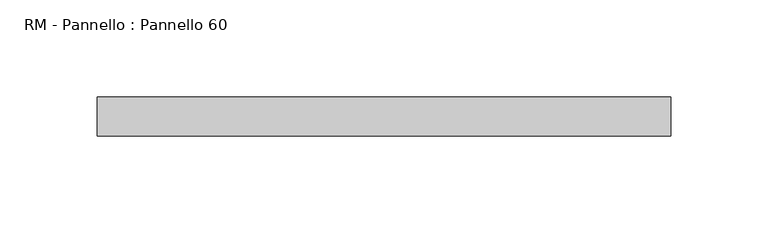
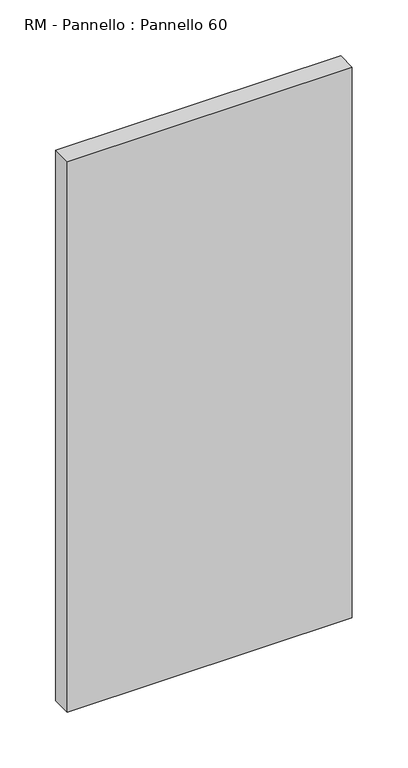
"""IFC4 building model written with IfcOpenShell, lengths in millimetres: plate geometry, RM - Pannello : Pannello 60."""

import ifcopenshell
import ifcopenshell.guid

model = None  # the IFC model being written
_history = None  # IfcOwnerHistory: only IFC2X3 demands one
_inside = {}  # id of a spatial element -> (the spatial element, [elements in it])
_under = {}  # id of a project, library or spatial element -> (it, [spatial elements below it])
_declared = {}  # id of a project -> (the project, [libraries it declares])
_typed = {}  # id of a type object -> (the type object, [elements of that type])
_made_of = {}  # id of a material, layer set ... -> (it, [elements and type objects made of it])


def new_model(schema):
    """Start an empty IFC model of exactly this schema.

    Asked for "IFC4X3", IfcOpenShell would pick the latest addendum, in which some entities
    have other attributes; the version numbers below select the first issue.
    IFC2X3 requires an IfcOwnerHistory on every rooted entity: one is made here for all.
    """
    global model, _history
    if schema == "IFC4X3":
        model = ifcopenshell.file(schema_version=(4, 3, 0, 0))
    else:
        model = ifcopenshell.file(schema=schema)
    _inside.clear()
    _under.clear()
    _declared.clear()
    _typed.clear()
    _made_of.clear()
    _history = None
    if model.schema == "IFC2X3":
        org = make("IfcOrganization", Name="unknown")
        user = make(
            "IfcPersonAndOrganization",
            ThePerson=make("IfcPerson", FamilyName="unknown"),
            TheOrganization=org,
        )
        app = make(
            "IfcApplication",
            ApplicationDeveloper=org,
            Version="unknown",
            ApplicationFullName="unknown",
            ApplicationIdentifier="unknown",
        )
        _history = make(
            "IfcOwnerHistory",
            OwningUser=user,
            OwningApplication=app,
            ChangeAction="ADDED",
            CreationDate=0,
        )
    return model


def make(cls, **values):
    """One entity of the class cls with the attributes given. An attribute that is None is left unset."""
    return model.create_entity(
        cls, **{name: value for name, value in values.items() if value is not None}
    )


def rooted(cls, **values):
    """An entity with a GlobalId (a new one), such as an element, a storey or a relation."""
    return make(cls, GlobalId=ifcopenshell.guid.new(), OwnerHistory=_history, **values)


def si_unit(unit_type, name, prefix=None):
    """IfcSIUnit, for example si_unit("LENGTHUNIT", "METRE", prefix="MILLI")."""
    return make("IfcSIUnit", UnitType=unit_type, Prefix=prefix, Name=name)


def assignment(units):
    """IfcUnitAssignment: the units of a project."""
    return None if units is None else make("IfcUnitAssignment", Units=units)


def point(xyz):
    """IfcCartesianPoint."""
    return None if xyz is None else make("IfcCartesianPoint", Coordinates=xyz)


def direction(xyz):
    """IfcDirection."""
    return None if xyz is None else make("IfcDirection", DirectionRatios=xyz)


def frame(location, z_axis=None, x_axis=None):
    """IfcAxis2Placement3D, a coordinate frame: its origin and axes. An axis left out is left unset."""
    return make(
        "IfcAxis2Placement3D",
        Location=point(location),
        Axis=direction(z_axis),
        RefDirection=direction(x_axis),
    )


def origin():
    """The frame at (0, 0, 0) with its axes left unset."""
    return frame((0.0, 0.0, 0.0))


def origin_with_axes():
    """The frame at (0, 0, 0) with the z axis (0, 0, 1) and the x axis (1, 0, 0) written out."""
    return frame((0.0, 0.0, 0.0), z_axis=(0.0, 0.0, 1.0), x_axis=(1.0, 0.0, 0.0))


def place(relative_to, where):
    """IfcLocalPlacement: puts the frame where relative to a parent placement (None: the world)."""
    return make(
        "IfcLocalPlacement", PlacementRelTo=relative_to, RelativePlacement=where
    )


def context(
    kind, dimensions, precision=None, world=None, true_north=None, identifier=None
):
    """IfcGeometricRepresentationContext, for example the 3D "Model" context."""
    return make(
        "IfcGeometricRepresentationContext",
        ContextIdentifier=identifier,
        ContextType=kind,
        CoordinateSpaceDimension=dimensions,
        Precision=precision,
        WorldCoordinateSystem=world,
        TrueNorth=true_north,
    )


def project(units=None, contexts=None):
    """IfcProject with its units and contexts."""
    return rooted(
        "IfcProject",
        Name="project",
        RepresentationContexts=contexts,
        UnitsInContext=assignment(units),
    )


def spatial(cls, under=None, at=None, **own):
    """A site, building, storey or space (cls), placed at a placement, below another one or the project."""
    s = rooted(cls, ObjectPlacement=at, **own)
    if under is not None:
        _under.setdefault(under.id(), (under, []))[1].append(s)
    return s


def polyline(points):
    """IfcPolyline through the points."""
    return make("IfcPolyline", Points=[point(p) for p in points])


def outline(outer, holes=None, kind="AREA"):
    """IfcArbitraryClosedProfileDef: a profile drawn as a closed curve; with holes, ...WithVoids."""
    if holes is None:
        return make("IfcArbitraryClosedProfileDef", ProfileType=kind, OuterCurve=outer)
    return make(
        "IfcArbitraryProfileDefWithVoids",
        ProfileType=kind,
        OuterCurve=outer,
        InnerCurves=holes,
    )


def extrude(swept, where, along, depth):
    """IfcExtrudedAreaSolid: the profile swept, set in the frame where, extruded along a direction by depth."""
    return make(
        "IfcExtrudedAreaSolid",
        SweptArea=swept,
        Position=where,
        ExtrudedDirection=direction(along),
        Depth=depth,
    )


def shape(context_of_items, identifier, shape_type, items):
    """IfcShapeRepresentation: the items that make up one representation, for example the "Body"."""
    return make(
        "IfcShapeRepresentation",
        ContextOfItems=context_of_items,
        RepresentationIdentifier=identifier,
        RepresentationType=shape_type,
        Items=items,
    )


def source(mapping_origin, context_of_items, identifier, shape_type, items):
    """IfcRepresentationMap: a shape defined once, which mapped items show again and again."""
    return make(
        "IfcRepresentationMap",
        MappingOrigin=mapping_origin,
        MappedRepresentation=shape(context_of_items, identifier, shape_type, items),
    )


def transform(
    local_origin,
    x_axis=None,
    y_axis=None,
    z_axis=None,
    scale=None,
    scale2=None,
    scale3=None,
    uniform=True,
):
    """IfcCartesianTransformationOperator3D, or its non-uniform kind. x_axis, y_axis, z_axis: its Axis1, 2, 3."""
    if uniform:
        return make(
            "IfcCartesianTransformationOperator3D",
            Axis1=direction(x_axis),
            Axis2=direction(y_axis),
            LocalOrigin=point(local_origin),
            Scale=scale,
            Axis3=direction(z_axis),
        )
    return make(
        "IfcCartesianTransformationOperator3DnonUniform",
        Axis1=direction(x_axis),
        Axis2=direction(y_axis),
        LocalOrigin=point(local_origin),
        Scale=scale,
        Axis3=direction(z_axis),
        Scale2=scale2,
        Scale3=scale3,
    )


def mapped(mapping_source, mapping_target):
    """IfcMappedItem: shows the shape of a source again, moved by a transform."""
    return make(
        "IfcMappedItem", MappingSource=mapping_source, MappingTarget=mapping_target
    )


def made_of(thing, what):
    """Note that an element or type object is made of a material, layer set ...; save() writes the relation."""
    if what is not None:
        _made_of.setdefault(what.id(), (what, []))[1].append(thing)
    return thing


def element(
    cls,
    number,
    at=None,
    inside=None,
    cuts=None,
    type_object=None,
    material=None,
    context=None,
    identifier="Body",
    shape_type=None,
    held_by="IfcProductDefinitionShape",
    body=None,
    shapes=None,
    **own,
):
    """One element of the class cls, such as IfcWall. Its Tag is "e" and its number.

    at: its placement. inside: the storey or other place that contains it. cuts: it is an
    opening in that element (IfcRelVoidsElement). A single representation is given by context,
    identifier, shape_type and body (its items); several are given by shapes. held_by: the class
    of the entity that holds the representations. save() writes the other relations.
    """
    e = rooted(cls, Tag="e%d" % number, ObjectPlacement=at, **own)
    if body is not None:
        shapes = [shape(context, identifier, shape_type, body)]
    if shapes is not None:
        e.Representation = make(held_by, Representations=shapes)
    if inside is not None:
        _inside.setdefault(inside.id(), (inside, []))[1].append(e)
    if cuts is not None:
        rooted(
            "IfcRelVoidsElement", RelatingBuildingElement=cuts, RelatedOpeningElement=e
        )
    if type_object is not None:
        _typed.setdefault(type_object.id(), (type_object, []))[1].append(e)
    return made_of(e, material)


def aggregate(whole, parts):
    """IfcRelAggregates: a whole, such as a stair, and the parts it consists of."""
    return rooted("IfcRelAggregates", RelatingObject=whole, RelatedObjects=parts)


def save(model, path):
    """Write the relations noted so far, then the file.

    IfcRelAggregates (storeys below a building ...), IfcRelContainedInSpatialStructure (elements
    in a storey), IfcRelDefinesByType, IfcRelAssociatesMaterial and IfcRelDeclares: one each for
    every whole, place, type object, material and project.
    """
    for whole, parts in _under.values():
        aggregate(whole, parts)
    for where, things in _inside.values():
        rooted(
            "IfcRelContainedInSpatialStructure",
            RelatedElements=things,
            RelatingStructure=where,
        )
    for kind, things in _typed.values():
        rooted("IfcRelDefinesByType", RelatedObjects=things, RelatingType=kind)
    for what, things in _made_of.values():
        rooted("IfcRelAssociatesMaterial", RelatedObjects=things, RelatingMaterial=what)
    for by, libraries in _declared.values():
        rooted("IfcRelDeclares", RelatingContext=by, RelatedDefinitions=libraries)
    model.write(path)


def rm_pannello_pannello_60_9ac9d658(model_context):
    return source(origin(), model_context, "Body", "SweptSolid", [
        extrude(outline(polyline([(147.0, -200.0), (-147.0, -200.0), (-147.0, -180.0), (147.0, -180.0), (147.0, -200.0)])), origin_with_axes(), (0.0, 0.0, 1.0), 600.0),
    ])


if __name__ == "__main__":
    model = new_model("IFC4")
    model_context = context("Model", 3, world=origin())
    ifc_project = project(units=[si_unit("LENGTHUNIT", "METRE", prefix="MILLI")], contexts=[model_context])
    site = spatial("IfcSite", under=ifc_project)
    building = spatial("IfcBuilding", under=site)
    placement = place(None, origin())
    rm_pannello_pannello_60_shape = rm_pannello_pannello_60_9ac9d658(model_context)
    element("IfcPlate", 1, ObjectType="RM - Pannello : Pannello 60", at=placement, inside=building, context=model_context, shape_type="MappedRepresentation", body=[
        mapped(rm_pannello_pannello_60_shape, transform((0.0, 0.0, 0.0), x_axis=(1.0, 0.0, 0.0), y_axis=(0.0, 1.0, 0.0), z_axis=(0.0, 0.0, 1.0))),
    ])
    save(model, "model.ifc")
